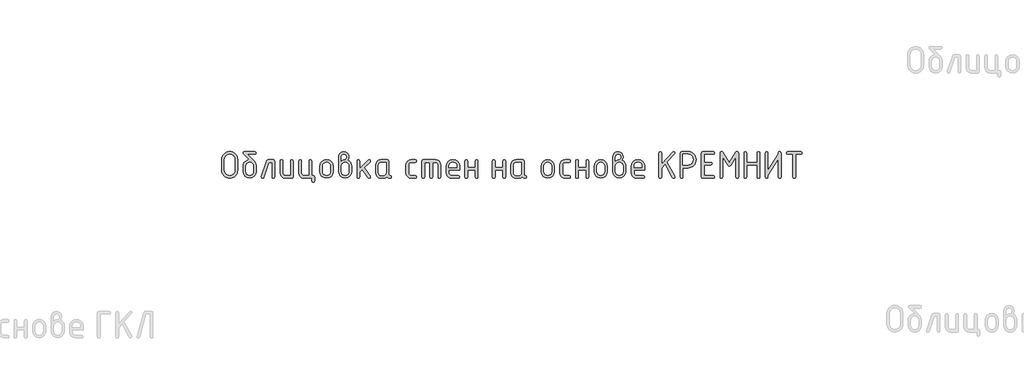
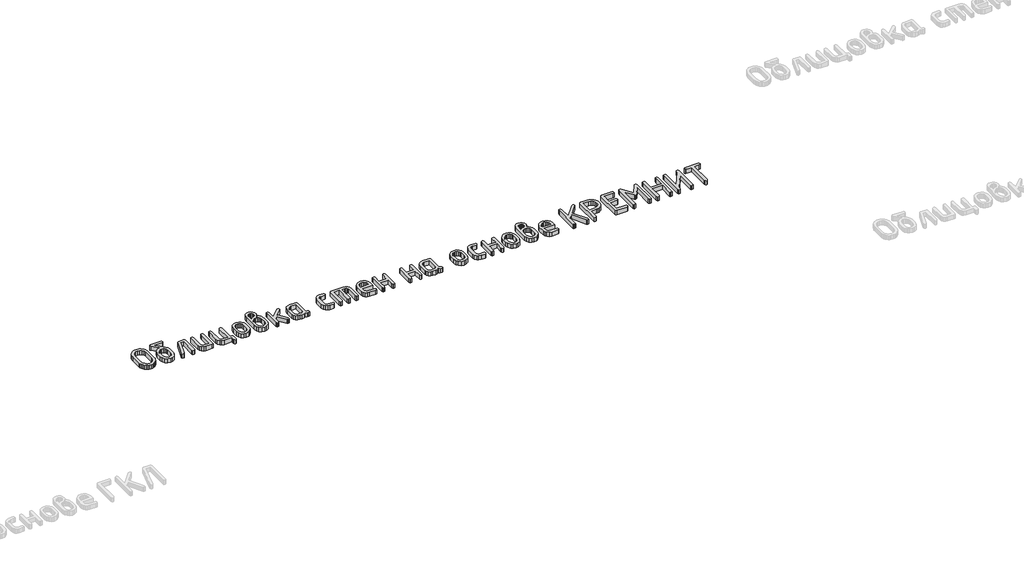
# One storey, part 16 of 33: 1 proxy.
"""IFC4 building model written with IfcOpenShell, lengths in millimetres."""

from ifc_helpers import new_model, si_unit, origin, origin_with_axes, place, context, project, spatial, polyline, outline, extrude, element, save

model = new_model("IFC4")

# Units and contexts
model_context = context("Model", 3, world=origin())
ifc_project = project(units=[si_unit("LENGTHUNIT", "METRE", prefix="MILLI")], contexts=[model_context])

# Site, building, storey
site = spatial("IfcSite", under=ifc_project)
building = spatial("IfcBuilding", under=site)
storey = spatial("IfcBuildingStorey", under=building, Elevation=0.0)

# Proxy
placement = place(None, origin())
element("IfcBuildingElementProxy", 1, Name="Generic Models", at=placement, inside=storey, context=model_context, shape_type="SweptSolid", body=[
    extrude(outline(polyline([(34324.3972669, -10815.9222253), (34322.7428711, -10834.1558868), (34317.7796836, -10851.0075224), (34309.5077043, -10866.4771323), (34297.9269335, -10880.5647165), (34284.0057977, -10892.2867163), (34268.7127239, -10900.6595733), (34252.0477122, -10905.6832875), (34234.0107624, -10907.3578589), (34215.9738126, -10905.6832875), (34199.3088008, -10900.6595733), (34184.0157271, -10892.2867163), (34170.0945913, -10880.5647165), (34158.5138204, -10866.4771323), (34150.2418412, -10851.0075224), (34145.2786537, -10834.1558868), (34143.6242578, -10815.9222253), (34143.6242578, -10694.0618486), (34145.2786537, -10675.8281871), (34150.2418412, -10658.9765514), (34158.5138204, -10643.5069415), (34170.0945913, -10629.4193574), (34184.0157271, -10617.6973576), (34199.3088008, -10609.3245006), (34215.9738126, -10604.3007864), (34234.0107624, -10602.626215), (34252.146068, -10604.2932206), (34268.8640406, -10609.2942373), (34284.1646802, -10617.6292651), (34298.0479868, -10629.2983041), (34309.5757969, -10643.348059), (34317.8099469, -10658.8252347), (34322.7504369, -10675.7298313), (34324.3972669, -10694.0618486), (34324.3972669, -10815.9222253)]), holes=[polyline([(34293.4076082, -10815.6801186), (34293.4076082, -10694.3039553), (34289.1001264, -10670.7792535), (34276.1776808, -10651.2089612), (34257.0209875, -10638.0141456), (34234.0107624, -10633.6158737), (34211.0005373, -10638.0141456), (34191.843844, -10651.2089612), (34178.9213984, -10670.7792535), (34174.6139165, -10694.3039553), (34174.6139165, -10815.6801186), (34178.9213984, -10839.2048204), (34191.843844, -10858.7751127), (34211.0005373, -10871.9699283), (34234.0107624, -10876.3682002), (34257.0209875, -10871.9699283), (34276.1776808, -10858.7751127), (34289.1001264, -10839.2048204), (34293.4076082, -10815.6801186)])]), origin_with_axes(), (0.0, 0.0, 1.0), 50.0),
    extrude(outline(polyline([(34536.1599347, -10770.4868663), (34536.1599347, -10831.3363524), (34530.6822704, -10860.5606497), (34514.2492776, -10885.1243928), (34490.0486945, -10901.7994924), (34461.2682595, -10907.3578589), (34432.4878245, -10901.7894046), (34408.2872414, -10885.0840417), (34391.8542486, -10860.4698596), (34386.3765843, -10831.1749479), (34386.3765843, -10770.2447596), (34388.9691437, -10748.813272), (34396.7468217, -10730.4383816), (34409.7096184, -10715.1200884), (34427.8575337, -10702.8583924), (34443.5742942, -10696.2609845), (34458.1208723, -10694.0618486), (34391.5415274, -10627.0789926), (34386.3765843, -10618.1210443), (34390.1090627, -10606.4999223), (34401.306498, -10602.626215), (34521.230021, -10602.626215), (34532.4274563, -10606.4999223), (34536.1599347, -10618.1210443), (34532.4274563, -10629.7421664), (34521.230021, -10633.6158737), (34436.2505663, -10633.6158737), (34511.6264549, -10713.9953009), (34530.0265648, -10741.2726568), (34536.1599347, -10770.4868663)]), holes=[polyline([(34505.170276, -10830.852139), (34505.170276, -10770.2447596), (34501.9522743, -10752.8130766), (34492.2982693, -10738.1252696), (34478.1047635, -10728.1383678), (34461.2682595, -10724.8094006), (34444.4317555, -10728.1383678), (34430.2382497, -10738.1252696), (34420.5842447, -10752.8130766), (34417.366243, -10770.2447596), (34417.366243, -10830.852139), (34420.5539814, -10848.4452264), (34430.1171963, -10863.1330334), (34444.2804388, -10873.0594085), (34461.2682595, -10876.3682002), (34478.1047635, -10873.0392329), (34492.2982693, -10863.0523312), (34501.9522743, -10848.3443487), (34505.170276, -10830.852139)])]), origin_with_axes(), (0.0, 0.0, 1.0), 50.0),
    extrude(outline(polyline([(34671.4975848, -10695.5951911), (34732.4277731, -10695.5951911), (34744.0488951, -10699.3680206), (34747.9226025, -10710.6865093), (34747.9226025, -10892.2665407), (34744.0488951, -10903.5850293), (34732.4277731, -10907.3578589), (34720.8066511, -10903.5850293), (34716.9329438, -10892.2665407), (34716.9329438, -10726.5848498), (34682.3116845, -10726.5848498), (34625.1745012, -10897.1086749), (34619.8683292, -10904.7955629), (34610.8902054, -10907.3578589), (34599.5111901, -10903.5245026), (34595.718185, -10892.024434), (34596.4445051, -10887.4244065), (34656.3255644, -10707.9426332), (34662.2168276, -10698.6820516), (34671.4975848, -10695.5951911)])), origin_with_axes(), (0.0, 0.0, 1.0), 50.0),
    extrude(outline(polyline([(34959.6852703, -10710.6865093), (34959.6852703, -10892.2665407), (34955.9326163, -10903.5850293), (34944.6746543, -10907.3578589), (34869.7829791, -10907.3578589), (34846.5609107, -10902.9797626), (34827.2529007, -10889.8454736), (34814.2396651, -10870.335708), (34809.9019199, -10846.8311817), (34809.9019199, -10710.6865093), (34813.7756272, -10699.3680206), (34825.3967492, -10695.5951911), (34837.0178712, -10699.3680206), (34840.8915786, -10710.6865093), (34840.8915786, -10846.2662661), (34843.0503634, -10857.6957203), (34849.5267178, -10867.4506031), (34859.0092306, -10874.1388009), (34870.1864903, -10876.3682002), (34928.6956116, -10876.3682002), (34928.6956116, -10710.6865093), (34932.5693189, -10699.3680206), (34944.1904409, -10695.5951911), (34955.8115629, -10699.3680206), (34959.6852703, -10710.6865093)])), origin_with_axes(), (0.0, 0.0, 1.0), 50.0),
    extrude(outline(polyline([(35186.9427674, -10876.3682002), (35198.5638894, -10880.2419075), (35202.4375967, -10891.8630295), (35202.4375967, -10938.3475176), (35198.5638894, -10949.9686396), (35186.9427674, -10953.8423469), (35175.3216454, -10949.9686396), (35171.447938, -10938.3475176), (35171.447938, -10907.3578589), (35081.5456469, -10907.3578589), (35058.3235784, -10902.9494992), (35039.0155684, -10889.7244203), (35026.0023328, -10870.1843913), (35021.6645877, -10846.8311817), (35021.6645877, -10710.6865093), (35025.538295, -10699.3680206), (35037.159417, -10695.5951911), (35048.780539, -10699.3680206), (35052.6542464, -10710.6865093), (35052.6542464, -10846.2662661), (35054.8130312, -10857.6957203), (35061.2893856, -10867.4506031), (35070.7718984, -10874.1388009), (35081.9491581, -10876.3682002), (35140.4582793, -10876.3682002), (35140.4582793, -10710.6865093), (35144.3319867, -10699.3680206), (35155.9531087, -10695.5951911), (35167.5742307, -10699.3680206), (35171.447938, -10710.6865093), (35171.447938, -10876.3682002), (35186.9427674, -10876.3682002)])), origin_with_axes(), (0.0, 0.0, 1.0), 50.0),
    extrude(outline(polyline([(35264.4169141, -10831.7398636), (35264.4169141, -10771.2131864), (35269.8945784, -10742.1402058), (35286.3275713, -10717.7076038), (35310.5281543, -10701.1232943), (35339.3085893, -10695.5951911), (35368.3916577, -10701.0627676), (35392.5317141, -10717.4654971), (35408.7831269, -10741.8375724), (35414.2002645, -10771.2131864), (35414.2002645, -10831.7398636), (35408.7226002, -10860.8128441), (35392.2896074, -10885.2454462), (35368.0890243, -10901.8297557), (35339.3085893, -10907.3578589), (35310.5281543, -10901.8297557), (35286.3275713, -10885.2454462), (35269.8945784, -10860.8128441), (35264.4169141, -10831.7398636)]), holes=[polyline([(35383.2106058, -10830.852139), (35383.2106058, -10770.2447596), (35379.9926041, -10752.8130766), (35370.3385991, -10738.1252696), (35356.1450933, -10728.1383678), (35339.3085893, -10724.8094006), (35322.4720853, -10728.1383678), (35308.2785795, -10738.1252696), (35298.6245745, -10752.8130766), (35295.4065728, -10770.2447596), (35295.4065728, -10830.852139), (35298.5943112, -10848.4452264), (35308.1575261, -10863.1330334), (35322.3207686, -10873.0594085), (35339.3085893, -10876.3682002), (35356.1450933, -10873.0392329), (35370.3385991, -10863.0523312), (35379.9926041, -10848.3443487), (35383.2106058, -10830.852139)])]), origin_with_axes(), (0.0, 0.0, 1.0), 50.0),
    extrude(outline(polyline([(35581.0117867, -10700.2759208), (35599.5430377, -10711.6650239), (35613.8172457, -10728.2392456), (35622.9265106, -10748.3240147), (35625.9629323, -10770.2447596), (35625.9629323, -10831.1749479), (35620.485268, -10860.6211763), (35604.0522752, -10885.205095), (35579.8516921, -10901.8196679), (35551.0712571, -10907.3578589), (35522.1395054, -10901.7894046), (35497.9691857, -10885.0840417), (35481.6269828, -10860.4698596), (35476.1795819, -10831.1749479), (35476.1795819, -10663.5564033), (35480.5072393, -10639.9509992), (35493.4902116, -10620.3000047), (35512.6670804, -10607.0446624), (35535.5764277, -10602.626215), (35558.5866528, -10607.0749258), (35577.7433462, -10620.4210581), (35590.6657917, -10640.1023159), (35594.9732736, -10663.5564033), (35591.4829019, -10684.2767025), (35581.0117867, -10700.2759208)]), holes=[polyline([(35594.9732736, -10830.852139), (35594.9732736, -10770.2447596), (35591.7855353, -10752.8130766), (35582.2223203, -10738.1252696), (35568.0590778, -10728.1383678), (35551.0712571, -10724.8094006), (35534.0834364, -10728.1383678), (35519.9201939, -10738.1252696), (35510.3569789, -10752.8130766), (35507.1692406, -10770.2447596), (35507.1692406, -10830.852139), (35510.3569789, -10848.4452264), (35519.9201939, -10863.1330334), (35534.0834364, -10873.0594085), (35551.0712571, -10876.3682002), (35568.0590778, -10873.0392329), (35582.2223203, -10863.0523312), (35591.7855353, -10848.3443487), (35594.9732736, -10830.852139)]), polyline([(35507.1692406, -10710.3637003), (35525.6500527, -10699.0452117), (35542.5168201, -10695.2723821), (35551.5958216, -10692.6293839), (35559.9485031, -10684.7003892), (35565.8195908, -10674.8345408), (35567.77662, -10664.9283413), (35565.5976596, -10653.1256393), (35559.0607785, -10643.3808443), (35549.2958079, -10636.8439631), (35537.4325792, -10634.6650028), (35525.7811938, -10636.8742265), (35516.0061355, -10643.5018976), (35509.3784643, -10653.276956), (35507.1692406, -10664.9283413), (35507.1692406, -10710.3637003)])]), origin_with_axes(), (0.0, 0.0, 1.0), 50.0),
    extrude(outline(polyline([(35718.9319084, -10795.0203461), (35814.1605471, -10699.9531118), (35824.9746467, -10695.5951911), (35836.353662, -10699.3680206), (35840.1466671, -10710.6865093), (35835.5466397, -10721.2585022), (35768.9672948, -10787.7571448), (35837.1606844, -10883.5506992), (35840.1466671, -10892.4279452), (35836.353662, -10903.6253804), (35824.9746467, -10907.3578589), (35817.8324988, -10905.7438141), (35812.3850979, -10900.90168), (35747.177691, -10809.3046419), (35718.9319084, -10837.5504246), (35718.9319084, -10892.1858385), (35715.058201, -10903.5648538), (35703.437079, -10907.3578589), (35691.815957, -10903.5850293), (35687.9422497, -10892.2665407), (35687.9422497, -10710.6865093), (35691.815957, -10699.3680206), (35703.437079, -10695.5951911), (35715.058201, -10699.3680206), (35718.9319084, -10710.6865093), (35718.9319084, -10795.0203461)])), origin_with_axes(), (0.0, 0.0, 1.0), 50.0),
    extrude(outline(polyline([(36079.7516064, -10892.2665407), (36075.9787769, -10903.5850293), (36064.6602882, -10907.3578589), (36045.5136827, -10903.3429226), (36030.2004334, -10891.2981139), (36011.780148, -10903.3429226), (35989.6072086, -10907.3578589), (35959.5859767, -10907.3578589), (35936.3639082, -10902.9797626), (35917.0558982, -10889.8454736), (35904.0426627, -10870.335708), (35899.7049175, -10846.8311817), (35899.7049175, -10756.1218682), (35904.0426627, -10732.6173419), (35917.0558982, -10713.1075763), (35936.3639082, -10699.9732874), (35959.5859767, -10695.5951911), (36034.4776519, -10695.5951911), (36045.7356139, -10699.3680206), (36049.4882678, -10710.6865093), (36049.4882678, -10862.0032021), (36053.2711852, -10873.3216908), (36064.6199371, -10877.0945203), (36075.9686891, -10880.8875254), (36079.7516064, -10892.2665407)]), holes=[polyline([(36018.4986091, -10726.5848498), (35959.9894879, -10726.5848498), (35948.7113504, -10728.7738979), (35939.2490132, -10735.3410424), (35932.8331854, -10745.015223), (35930.6945762, -10756.5253794), (35930.6945762, -10846.4276705), (35932.853361, -10857.8369492), (35939.3297154, -10867.5313053), (35948.8122282, -10874.1589765), (35959.9894879, -10876.3682002), (35989.2036974, -10876.3682002), (36000.4818349, -10874.179152), (36009.9441721, -10867.6120075), (36016.3599999, -10857.937827), (36018.4986091, -10846.4276705), (36018.4986091, -10726.5848498)])]), origin_with_axes(), (0.0, 0.0, 1.0), 50.0),
    extrude(outline(polyline([(36276.745765, -10756.5253794), (36276.745765, -10846.4276705), (36278.985252, -10857.8369492), (36285.7037132, -10867.5313053), (36295.5090349, -10874.1589765), (36307.0091035, -10876.3682002), (36352.5251647, -10876.3682002), (36363.8436534, -10880.2419075), (36367.6164829, -10891.8630295), (36363.8436534, -10903.4841515), (36352.5251647, -10907.3578589), (36307.0091035, -10907.3578589), (36283.4642261, -10902.9797626), (36263.6720027, -10889.8454736), (36250.2350804, -10870.335708), (36245.7561063, -10846.8311817), (36245.7561063, -10756.1218682), (36250.2350804, -10732.6173419), (36263.6720027, -10713.1075763), (36283.4642261, -10699.9732874), (36307.0091035, -10695.5951911), (36352.5251647, -10695.5951911), (36363.8436534, -10699.4688984), (36367.6164829, -10711.0900204), (36363.8436534, -10722.7111425), (36352.5251647, -10726.5848498), (36307.0091035, -10726.5848498), (36295.3577182, -10728.7738979), (36285.5826598, -10735.3410424), (36278.9549887, -10745.015223), (36276.745765, -10756.5253794)])), origin_with_axes(), (0.0, 0.0, 1.0), 50.0),
    extrude(outline(polyline([(36442.0239447, -10695.5951911), (36581.4774088, -10695.5951911), (36605.3652707, -10700.0035507), (36625.3794253, -10713.2286297), (36638.937401, -10732.7686586), (36643.4567262, -10756.1218682), (36643.4567262, -10892.2665407), (36639.5830189, -10903.5850293), (36627.9618969, -10907.3578589), (36616.3407749, -10903.5850293), (36612.4670675, -10892.2665407), (36612.4670675, -10756.6867839), (36610.2376683, -10744.9546963), (36603.5494704, -10735.2603402), (36593.5726565, -10728.7537224), (36581.4774088, -10726.5848498), (36550.4877501, -10726.5848498), (36550.4877501, -10892.2665407), (36546.6140428, -10903.5850293), (36534.9929208, -10907.3578589), (36523.3717988, -10903.5850293), (36519.4980914, -10892.2665407), (36519.4980914, -10726.5848498), (36457.518774, -10726.5848498), (36457.518774, -10892.2665407), (36453.6450667, -10903.5850293), (36442.0239447, -10907.3578589), (36430.4028227, -10903.5850293), (36426.5291153, -10892.2665407), (36426.5291153, -10710.6865093), (36430.4028227, -10699.3680206), (36442.0239447, -10695.5951911)])), origin_with_axes(), (0.0, 0.0, 1.0), 50.0),
    extrude(outline(polyline([(36736.4257023, -10814.3888828), (36736.4257023, -10845.3785415), (36738.6651894, -10857.1711557), (36745.3836505, -10867.2084964), (36755.1889722, -10874.0782742), (36766.6890409, -10876.3682002), (36842.4684407, -10876.3682002), (36853.847456, -10880.2419075), (36857.6404611, -10891.8630295), (36853.847456, -10903.4841515), (36842.4684407, -10907.3578589), (36766.6890409, -10907.3578589), (36743.1441635, -10902.9797626), (36723.3519401, -10889.8454736), (36709.9150177, -10870.335708), (36705.4360436, -10846.8311817), (36705.4360436, -10771.2131864), (36711.0549368, -10742.1402058), (36727.9116164, -10717.7076038), (36752.636764, -10701.1232943), (36781.8610613, -10695.5951911), (36811.3072897, -10700.9618898), (36835.729804, -10717.0619859), (36852.1627968, -10740.990199), (36857.6404611, -10769.8412484), (36857.6404611, -10814.3888828), (36736.4257023, -10814.3888828)]), holes=[polyline([(36781.8610613, -10722.7918447), (36764.4293783, -10726.1208119), (36749.7415713, -10736.1077137), (36739.7546696, -10750.7955207), (36736.4257023, -10768.2272037), (36736.4257023, -10783.3992241), (36827.2964203, -10783.3992241), (36827.2964203, -10768.2272037), (36823.967453, -10750.7955207), (36813.9805513, -10736.1077137), (36799.2927443, -10726.1208119), (36781.8610613, -10722.7918447)])]), origin_with_axes(), (0.0, 0.0, 1.0), 50.0),
    extrude(outline(polyline([(36948.1883701, -10814.3888828), (36948.1883701, -10891.8630295), (36944.3146628, -10903.4841515), (36932.6935408, -10907.3578589), (36921.0724187, -10903.5850293), (36917.1987114, -10892.2665407), (36917.1987114, -10710.6865093), (36921.0724187, -10699.3680206), (36932.6935408, -10695.5951911), (36944.3146628, -10699.2469673), (36948.1883701, -10710.2022958), (36948.1883701, -10783.3992241), (37035.9924031, -10783.3992241), (37035.9924031, -10710.2022958), (37039.8661104, -10699.2469673), (37051.4872324, -10695.5951911), (37063.1083544, -10699.3680206), (37066.9820618, -10710.6865093), (37066.9820618, -10892.2665407), (37063.1083544, -10903.5850293), (37051.4872324, -10907.3578589), (37039.8661104, -10903.4841515), (37035.9924031, -10891.8630295), (37035.9924031, -10814.3888828), (36948.1883701, -10814.3888828)])), origin_with_axes(), (0.0, 0.0, 1.0), 50.0),
    extrude(outline(polyline([(37263.2499002, -10814.3888828), (37263.2499002, -10891.8630295), (37259.3761929, -10903.4841515), (37247.7550709, -10907.3578589), (37236.1339489, -10903.5850293), (37232.2602415, -10892.2665407), (37232.2602415, -10710.6865093), (37236.1339489, -10699.3680206), (37247.7550709, -10695.5951911), (37259.3761929, -10699.2469673), (37263.2499002, -10710.2022958), (37263.2499002, -10783.3992241), (37351.0539332, -10783.3992241), (37351.0539332, -10710.2022958), (37354.9276405, -10699.2469673), (37366.5487625, -10695.5951911), (37378.1698846, -10699.3680206), (37382.0435919, -10710.6865093), (37382.0435919, -10892.2665407), (37378.1698846, -10903.5850293), (37366.5487625, -10907.3578589), (37354.9276405, -10903.4841515), (37351.0539332, -10891.8630295), (37351.0539332, -10814.3888828), (37263.2499002, -10814.3888828)])), origin_with_axes(), (0.0, 0.0, 1.0), 50.0),
    extrude(outline(polyline([(37624.0695982, -10892.2665407), (37620.2967687, -10903.5850293), (37608.9782801, -10907.3578589), (37589.8316745, -10903.3429226), (37574.5184252, -10891.2981139), (37556.0981398, -10903.3429226), (37533.9252004, -10907.3578589), (37503.9039685, -10907.3578589), (37480.6819001, -10902.9797626), (37461.3738901, -10889.8454736), (37448.3606545, -10870.335708), (37444.0229093, -10846.8311817), (37444.0229093, -10756.1218682), (37448.3606545, -10732.6173419), (37461.3738901, -10713.1075763), (37480.6819001, -10699.9732874), (37503.9039685, -10695.5951911), (37578.7956437, -10695.5951911), (37590.0536057, -10699.3680206), (37593.8062597, -10710.6865093), (37593.8062597, -10862.0032021), (37597.589177, -10873.3216908), (37608.937929, -10877.0945203), (37620.2866809, -10880.8875254), (37624.0695982, -10892.2665407)]), holes=[polyline([(37562.816601, -10726.5848498), (37504.3074797, -10726.5848498), (37493.0293422, -10728.7738979), (37483.567005, -10735.3410424), (37477.1511772, -10745.015223), (37475.012568, -10756.5253794), (37475.012568, -10846.4276705), (37477.1713528, -10857.8369492), (37483.6477073, -10867.5313053), (37493.13022, -10874.1589765), (37504.3074797, -10876.3682002), (37533.5216892, -10876.3682002), (37544.7998267, -10874.179152), (37554.2621639, -10867.6120075), (37560.6779917, -10857.937827), (37562.816601, -10846.4276705), (37562.816601, -10726.5848498)])]), origin_with_axes(), (0.0, 0.0, 1.0), 50.0),
    extrude(outline(polyline([(37790.0740981, -10831.7398636), (37790.0740981, -10771.2131864), (37795.5517624, -10742.1402058), (37811.9847552, -10717.7076038), (37836.1853383, -10701.1232943), (37864.9657733, -10695.5951911), (37894.0488417, -10701.0627676), (37918.1888981, -10717.4654971), (37934.4403109, -10741.8375724), (37939.8574485, -10771.2131864), (37939.8574485, -10831.7398636), (37934.3797842, -10860.8128441), (37917.9467913, -10885.2454462), (37893.7462083, -10901.8297557), (37864.9657733, -10907.3578589), (37836.1853383, -10901.8297557), (37811.9847552, -10885.2454462), (37795.5517624, -10860.8128441), (37790.0740981, -10831.7398636)]), holes=[polyline([(37908.8677898, -10830.852139), (37908.8677898, -10770.2447596), (37905.6497881, -10752.8130766), (37895.9957831, -10738.1252696), (37881.8022773, -10728.1383678), (37864.9657733, -10724.8094006), (37848.1292693, -10728.1383678), (37833.9357635, -10738.1252696), (37824.2817585, -10752.8130766), (37821.0637568, -10770.2447596), (37821.0637568, -10830.852139), (37824.2514951, -10848.4452264), (37833.8147101, -10863.1330334), (37847.9779526, -10873.0594085), (37864.9657733, -10876.3682002), (37881.8022773, -10873.0392329), (37895.9957831, -10863.0523312), (37905.6497881, -10848.3443487), (37908.8677898, -10830.852139)])]), origin_with_axes(), (0.0, 0.0, 1.0), 50.0),
    extrude(outline(polyline([(38032.8264246, -10756.5253794), (38032.8264246, -10846.4276705), (38035.0659116, -10857.8369492), (38041.7843728, -10867.5313053), (38051.5896945, -10874.1589765), (38063.0897631, -10876.3682002), (38108.6058244, -10876.3682002), (38119.924313, -10880.2419075), (38123.6971425, -10891.8630295), (38119.924313, -10903.4841515), (38108.6058244, -10907.3578589), (38063.0897631, -10907.3578589), (38039.5448857, -10902.9797626), (38019.7526623, -10889.8454736), (38006.31574, -10870.335708), (38001.8367659, -10846.8311817), (38001.8367659, -10756.1218682), (38006.31574, -10732.6173419), (38019.7526623, -10713.1075763), (38039.5448857, -10699.9732874), (38063.0897631, -10695.5951911), (38108.6058244, -10695.5951911), (38119.924313, -10699.4688984), (38123.6971425, -10711.0900204), (38119.924313, -10722.7111425), (38108.6058244, -10726.5848498), (38063.0897631, -10726.5848498), (38051.4383778, -10728.7738979), (38041.6633194, -10735.3410424), (38035.0356483, -10745.015223), (38032.8264246, -10756.5253794)])), origin_with_axes(), (0.0, 0.0, 1.0), 50.0),
    extrude(outline(polyline([(38213.5994336, -10814.3888828), (38213.5994336, -10891.8630295), (38209.7257263, -10903.4841515), (38198.1046043, -10907.3578589), (38186.4834823, -10903.5850293), (38182.609775, -10892.2665407), (38182.609775, -10710.6865093), (38186.4834823, -10699.3680206), (38198.1046043, -10695.5951911), (38209.7257263, -10699.2469673), (38213.5994336, -10710.2022958), (38213.5994336, -10783.3992241), (38301.4034666, -10783.3992241), (38301.4034666, -10710.2022958), (38305.277174, -10699.2469673), (38316.898296, -10695.5951911), (38328.519418, -10699.3680206), (38332.3931253, -10710.6865093), (38332.3931253, -10892.2665407), (38328.519418, -10903.5850293), (38316.898296, -10907.3578589), (38305.277174, -10903.4841515), (38301.4034666, -10891.8630295), (38301.4034666, -10814.3888828), (38213.5994336, -10814.3888828)])), origin_with_axes(), (0.0, 0.0, 1.0), 50.0),
    extrude(outline(polyline([(38394.3724427, -10831.7398636), (38394.3724427, -10771.2131864), (38399.850107, -10742.1402058), (38416.2830999, -10717.7076038), (38440.4836829, -10701.1232943), (38469.2641179, -10695.5951911), (38498.3471863, -10701.0627676), (38522.4872427, -10717.4654971), (38538.7386555, -10741.8375724), (38544.1557931, -10771.2131864), (38544.1557931, -10831.7398636), (38538.6781288, -10860.8128441), (38522.245136, -10885.2454462), (38498.0445529, -10901.8297557), (38469.2641179, -10907.3578589), (38440.4836829, -10901.8297557), (38416.2830999, -10885.2454462), (38399.850107, -10860.8128441), (38394.3724427, -10831.7398636)]), holes=[polyline([(38513.1661344, -10830.852139), (38513.1661344, -10770.2447596), (38509.9481327, -10752.8130766), (38500.2941277, -10738.1252696), (38486.1006219, -10728.1383678), (38469.2641179, -10724.8094006), (38452.4276139, -10728.1383678), (38438.2341081, -10738.1252696), (38428.5801031, -10752.8130766), (38425.3621014, -10770.2447596), (38425.3621014, -10830.852139), (38428.5498398, -10848.4452264), (38438.1130547, -10863.1330334), (38452.2762972, -10873.0594085), (38469.2641179, -10876.3682002), (38486.1006219, -10873.0392329), (38500.2941277, -10863.0523312), (38509.9481327, -10848.3443487), (38513.1661344, -10830.852139)])]), origin_with_axes(), (0.0, 0.0, 1.0), 50.0),
    extrude(outline(polyline([(38710.9673153, -10700.2759208), (38729.4985663, -10711.6650239), (38743.7727743, -10728.2392456), (38752.8820392, -10748.3240147), (38755.9184609, -10770.2447596), (38755.9184609, -10831.1749479), (38750.4407966, -10860.6211763), (38734.0078038, -10885.205095), (38709.8072207, -10901.8196679), (38681.0267857, -10907.3578589), (38652.095034, -10901.7894046), (38627.9247143, -10885.0840417), (38611.5825114, -10860.4698596), (38606.1351105, -10831.1749479), (38606.1351105, -10663.5564033), (38610.4627679, -10639.9509992), (38623.4457402, -10620.3000047), (38642.622609, -10607.0446624), (38665.5319563, -10602.626215), (38688.5421814, -10607.0749258), (38707.6988748, -10620.4210581), (38720.6213203, -10640.1023159), (38724.9288022, -10663.5564033), (38721.4384305, -10684.2767025), (38710.9673153, -10700.2759208)]), holes=[polyline([(38637.1247692, -10710.3637003), (38655.6055813, -10699.0452117), (38672.4723487, -10695.2723821), (38681.5513502, -10692.6293839), (38689.9040317, -10684.7003892), (38695.7751194, -10674.8345408), (38697.7321486, -10664.9283413), (38695.5531882, -10653.1256393), (38689.0163071, -10643.3808443), (38679.2513365, -10636.8439631), (38667.3881078, -10634.6650028), (38655.7367224, -10636.8742265), (38645.9616641, -10643.5018976), (38639.3339929, -10653.276956), (38637.1247692, -10664.9283413), (38637.1247692, -10710.3637003)]), polyline([(38724.9288022, -10830.852139), (38724.9288022, -10770.2447596), (38721.7410639, -10752.8130766), (38712.1778489, -10738.1252696), (38698.0146064, -10728.1383678), (38681.0267857, -10724.8094006), (38664.038965, -10728.1383678), (38649.8757225, -10738.1252696), (38640.3125075, -10752.8130766), (38637.1247692, -10770.2447596), (38637.1247692, -10830.852139), (38640.3125075, -10848.4452264), (38649.8757225, -10863.1330334), (38664.038965, -10873.0594085), (38681.0267857, -10876.3682002), (38698.0146064, -10873.0392329), (38712.1778489, -10863.0523312), (38721.7410639, -10848.3443487), (38724.9288022, -10830.852139)])]), origin_with_axes(), (0.0, 0.0, 1.0), 50.0),
    extrude(outline(polyline([(38848.887437, -10814.3888828), (38848.887437, -10845.3785415), (38851.126924, -10857.1711557), (38857.8453852, -10867.2084964), (38867.6507069, -10874.0782742), (38879.1507756, -10876.3682002), (38954.9301753, -10876.3682002), (38966.3091906, -10880.2419075), (38970.1021957, -10891.8630295), (38966.3091906, -10903.4841515), (38954.9301753, -10907.3578589), (38879.1507756, -10907.3578589), (38855.6058981, -10902.9797626), (38835.8136747, -10889.8454736), (38822.3767524, -10870.335708), (38817.8977783, -10846.8311817), (38817.8977783, -10771.2131864), (38823.5166715, -10742.1402058), (38840.3733511, -10717.7076038), (38865.0984987, -10701.1232943), (38894.322796, -10695.5951911), (38923.7690244, -10700.9618898), (38948.1915386, -10717.0619859), (38964.6245315, -10740.990199), (38970.1021957, -10769.8412484), (38970.1021957, -10814.3888828), (38848.887437, -10814.3888828)]), holes=[polyline([(38894.322796, -10722.7918447), (38876.8911129, -10726.1208119), (38862.203306, -10736.1077137), (38852.2164042, -10750.7955207), (38848.887437, -10768.2272037), (38848.887437, -10783.3992241), (38939.7581549, -10783.3992241), (38939.7581549, -10768.2272037), (38936.4291877, -10750.7955207), (38926.442286, -10736.1077137), (38911.754479, -10726.1208119), (38894.322796, -10722.7918447)])]), origin_with_axes(), (0.0, 0.0, 1.0), 50.0),
    extrude(outline(polyline([(39203.1702539, -10748.0516446), (39163.9489671, -10791.4694477), (39163.9489671, -10892.1051362), (39160.0752597, -10903.5446782), (39148.4541377, -10907.3578589), (39136.8330157, -10903.5446782), (39132.9593084, -10892.1051362), (39132.9593084, -10617.8789376), (39136.8330157, -10606.4393957), (39148.4541377, -10602.626215), (39160.0752597, -10606.4393957), (39163.9489671, -10617.8789376), (39163.9489671, -10745.9533865), (39288.7953265, -10607.7104559), (39300.3357463, -10602.626215), (39311.6542349, -10606.4393957), (39315.4270644, -10617.8789376), (39311.3112504, -10628.2895261), (39224.7984532, -10724.0830805), (39313.4095085, -10884.519126), (39315.4270644, -10892.1051362), (39310.7463347, -10902.6367781), (39300.3357463, -10907.3578589), (39292.3462249, -10905.340303), (39286.7777706, -10899.2876352), (39203.1702539, -10748.0516446)])), origin_with_axes(), (0.0, 0.0, 1.0), 50.0),
    extrude(outline(polyline([(39390.802953, -10602.626215), (39466.0981394, -10602.626215), (39484.233445, -10604.320962), (39500.9514177, -10609.4052028), (39516.2520573, -10617.8789376), (39530.1353638, -10629.7421664), (39541.6631739, -10644.0264622), (39549.8973239, -10659.7633982), (39554.8378139, -10676.9529745), (39556.4846439, -10695.5951911), (39554.9235601, -10715.2865367), (39550.2403084, -10733.0410287), (39542.434889, -10748.858667), (39531.5073018, -10762.7394516), (39518.0829892, -10774.0377647), (39502.7873935, -10782.1079883), (39485.6205147, -10786.9501225), (39466.5823528, -10788.5641672), (39406.7012936, -10788.5641672), (39406.7012936, -10892.5086474), (39402.8275862, -10903.645556), (39391.2064642, -10907.3578589), (39379.5853422, -10903.5446782), (39375.7116349, -10892.1051362), (39375.7116349, -10617.8789376), (39379.4844644, -10606.4393957), (39390.802953, -10602.626215)]), holes=[polyline([(39406.7012936, -10633.6158737), (39406.7012936, -10757.5745085), (39466.0981394, -10757.5745085), (39489.1083645, -10753.0854466), (39508.2650578, -10739.6182609), (39521.1875034, -10719.6343697), (39525.4949852, -10695.5951911), (39521.1875034, -10671.5560125), (39508.2650578, -10651.5721212), (39489.1083645, -10638.1049356), (39466.0981394, -10633.6158737), (39406.7012936, -10633.6158737)])]), origin_with_axes(), (0.0, 0.0, 1.0), 50.0),
    extrude(outline(polyline([(39618.4639613, -10892.1051362), (39618.4639613, -10617.8789376), (39622.3376687, -10606.4393957), (39633.9587907, -10602.626215), (39755.4963584, -10602.626215), (39766.8753737, -10606.4999223), (39770.6683788, -10618.1210443), (39766.8753737, -10629.7421664), (39755.4963584, -10633.6158737), (39649.45362, -10633.6158737), (39649.45362, -10726.5848498), (39725.2330198, -10726.5848498), (39736.5515084, -10730.4585571), (39740.324338, -10742.0796791), (39736.5515084, -10753.7008012), (39725.2330198, -10757.5745085), (39649.45362, -10757.5745085), (39649.45362, -10876.3682002), (39755.4963584, -10876.3682002), (39766.8753737, -10880.2419075), (39770.6683788, -10891.8630295), (39766.8753737, -10903.4841515), (39755.4963584, -10907.3578589), (39633.9587907, -10907.3578589), (39622.3376687, -10903.5446782), (39618.4639613, -10892.1051362)])), origin_with_axes(), (0.0, 0.0, 1.0), 50.0),
    extrude(outline(polyline([(40025.2032318, -10602.626215), (40037.7927806, -10606.4393957), (40041.9892969, -10617.8789376), (40041.9892969, -10892.1051362), (40038.1155896, -10903.5446782), (40026.4944675, -10907.3578589), (40014.8733455, -10903.5446782), (40010.9996382, -10892.1051362), (40010.9996382, -10667.9950263), (39949.9887476, -10760.5604912), (39943.4518665, -10767.4000057), (39936.107963, -10769.6798439), (39928.6430062, -10767.4000057), (39922.0657739, -10760.5604912), (39861.2162878, -10667.9950263), (39861.2162878, -10892.1051362), (39857.3425805, -10903.5446782), (39845.7214585, -10907.3578589), (39834.1003365, -10903.5446782), (39830.2266291, -10892.1051362), (39830.2266291, -10617.8789376), (39834.3424432, -10606.4393957), (39846.6898853, -10602.626215), (39854.8408112, -10604.5227175), (39861.2162878, -10610.2122252), (39935.8658563, -10727.3111699), (40010.9996382, -10609.3245006), (40016.9716037, -10604.3007864), (40025.2032318, -10602.626215)])), origin_with_axes(), (0.0, 0.0, 1.0), 50.0),
    extrude(outline(polyline([(40103.9686143, -10892.1051362), (40103.9686143, -10617.8789376), (40107.8423216, -10606.4393957), (40119.4634436, -10602.626215), (40131.0845656, -10606.4999223), (40134.958273, -10618.1210443), (40134.958273, -10726.5848498), (40253.7519647, -10726.5848498), (40253.7519647, -10618.1210443), (40257.625672, -10606.4999223), (40269.246794, -10602.626215), (40280.867916, -10606.4393957), (40284.7416234, -10617.8789376), (40284.7416234, -10892.1051362), (40280.867916, -10903.5446782), (40269.246794, -10907.3578589), (40257.625672, -10903.6052049), (40253.7519647, -10892.3472429), (40253.7519647, -10757.5745085), (40134.958273, -10757.5745085), (40134.958273, -10892.3472429), (40131.0845656, -10903.6052049), (40119.4634436, -10907.3578589), (40107.8423216, -10903.5446782), (40103.9686143, -10892.1051362)])), origin_with_axes(), (0.0, 0.0, 1.0), 50.0),
    extrude(outline(polyline([(40511.5149071, -10602.626215), (40523.4991891, -10606.4393957), (40527.4939498, -10617.8789376), (40527.4939498, -10892.1051362), (40523.6202425, -10903.5446782), (40511.9991205, -10907.3578589), (40500.3779985, -10903.5446782), (40496.5042911, -10892.1051362), (40496.5042911, -10688.9776077), (40377.7105995, -10876.8524136), (40377.7105995, -10896.7051637), (40372.5053052, -10904.6946851), (40362.6999835, -10907.3578589), (40350.7157015, -10903.5446782), (40346.7209408, -10892.1051362), (40346.7209408, -10617.8789376), (40350.5946481, -10606.4393957), (40362.2157701, -10602.626215), (40373.8368921, -10606.4393957), (40377.7105995, -10617.8789376), (40376.8228749, -10821.0064661), (40496.5042911, -10633.1316603), (40496.5042911, -10613.2789102), (40501.7095854, -10605.2893888), (40511.5149071, -10602.626215)])), origin_with_axes(), (0.0, 0.0, 1.0), 50.0),
    extrude(outline(polyline([(40586.0030711, -10618.1210443), (40589.7960762, -10606.4999223), (40601.1750915, -10602.626215), (40753.379509, -10602.626215), (40764.6979976, -10606.4999223), (40768.4708271, -10618.1210443), (40764.6979976, -10629.7421664), (40753.379509, -10633.6158737), (40692.7721296, -10633.6158737), (40692.7721296, -10892.1858385), (40688.8984222, -10903.5648538), (40677.2773002, -10907.3578589), (40665.6561782, -10903.5648538), (40661.7824709, -10892.1858385), (40661.7824709, -10633.6158737), (40601.1750915, -10633.6158737), (40589.7960762, -10629.7421664), (40586.0030711, -10618.1210443)])), origin_with_axes(), (0.0, 0.0, 1.0), 50.0),
])

save(model, "model.ifc")
